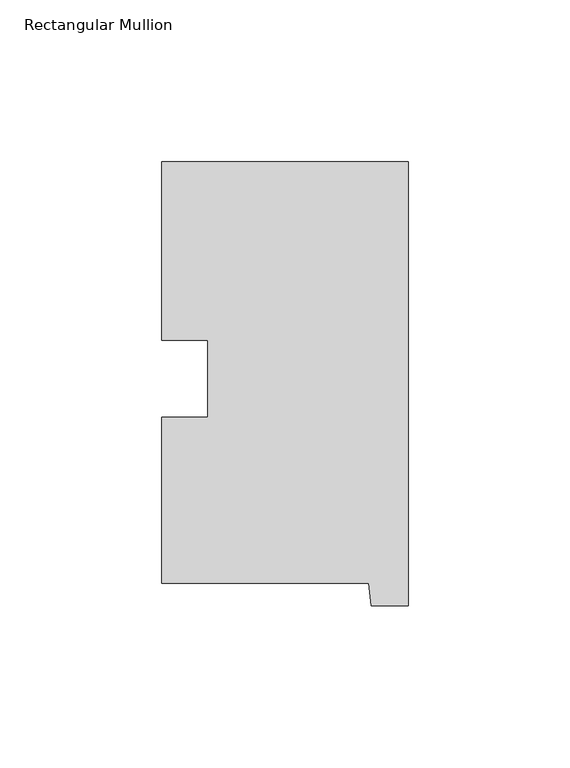
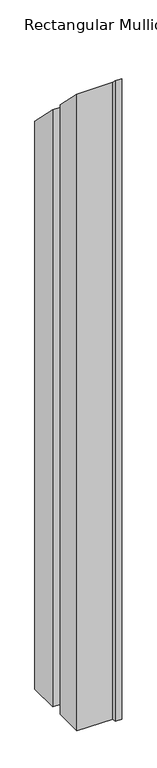
"""IFC4 building model written with IfcOpenShell, lengths in millimetres: member geometry, Rectangular Mullion."""

import ifcopenshell
import ifcopenshell.guid

model = None  # the IFC model being written
_history = None  # IfcOwnerHistory: only IFC2X3 demands one
_inside = {}  # id of a spatial element -> (the spatial element, [elements in it])
_under = {}  # id of a project, library or spatial element -> (it, [spatial elements below it])
_declared = {}  # id of a project -> (the project, [libraries it declares])
_typed = {}  # id of a type object -> (the type object, [elements of that type])
_made_of = {}  # id of a material, layer set ... -> (it, [elements and type objects made of it])


def new_model(schema):
    """Start an empty IFC model of exactly this schema.

    Asked for "IFC4X3", IfcOpenShell would pick the latest addendum, in which some entities
    have other attributes; the version numbers below select the first issue.
    IFC2X3 requires an IfcOwnerHistory on every rooted entity: one is made here for all.
    """
    global model, _history
    if schema == "IFC4X3":
        model = ifcopenshell.file(schema_version=(4, 3, 0, 0))
    else:
        model = ifcopenshell.file(schema=schema)
    _inside.clear()
    _under.clear()
    _declared.clear()
    _typed.clear()
    _made_of.clear()
    _history = None
    if model.schema == "IFC2X3":
        org = make("IfcOrganization", Name="unknown")
        user = make(
            "IfcPersonAndOrganization",
            ThePerson=make("IfcPerson", FamilyName="unknown"),
            TheOrganization=org,
        )
        app = make(
            "IfcApplication",
            ApplicationDeveloper=org,
            Version="unknown",
            ApplicationFullName="unknown",
            ApplicationIdentifier="unknown",
        )
        _history = make(
            "IfcOwnerHistory",
            OwningUser=user,
            OwningApplication=app,
            ChangeAction="ADDED",
            CreationDate=0,
        )
    return model


def make(cls, **values):
    """One entity of the class cls with the attributes given. An attribute that is None is left unset."""
    return model.create_entity(
        cls, **{name: value for name, value in values.items() if value is not None}
    )


def rooted(cls, **values):
    """An entity with a GlobalId (a new one), such as an element, a storey or a relation."""
    return make(cls, GlobalId=ifcopenshell.guid.new(), OwnerHistory=_history, **values)


def si_unit(unit_type, name, prefix=None):
    """IfcSIUnit, for example si_unit("LENGTHUNIT", "METRE", prefix="MILLI")."""
    return make("IfcSIUnit", UnitType=unit_type, Prefix=prefix, Name=name)


def assignment(units):
    """IfcUnitAssignment: the units of a project."""
    return None if units is None else make("IfcUnitAssignment", Units=units)


def point(xyz):
    """IfcCartesianPoint."""
    return None if xyz is None else make("IfcCartesianPoint", Coordinates=xyz)


def direction(xyz):
    """IfcDirection."""
    return None if xyz is None else make("IfcDirection", DirectionRatios=xyz)


def frame(location, z_axis=None, x_axis=None):
    """IfcAxis2Placement3D, a coordinate frame: its origin and axes. An axis left out is left unset."""
    return make(
        "IfcAxis2Placement3D",
        Location=point(location),
        Axis=direction(z_axis),
        RefDirection=direction(x_axis),
    )


def origin():
    """The frame at (0, 0, 0) with its axes left unset."""
    return frame((0.0, 0.0, 0.0))


def place(relative_to, where):
    """IfcLocalPlacement: puts the frame where relative to a parent placement (None: the world)."""
    return make(
        "IfcLocalPlacement", PlacementRelTo=relative_to, RelativePlacement=where
    )


def context(
    kind, dimensions, precision=None, world=None, true_north=None, identifier=None
):
    """IfcGeometricRepresentationContext, for example the 3D "Model" context."""
    return make(
        "IfcGeometricRepresentationContext",
        ContextIdentifier=identifier,
        ContextType=kind,
        CoordinateSpaceDimension=dimensions,
        Precision=precision,
        WorldCoordinateSystem=world,
        TrueNorth=true_north,
    )


def project(units=None, contexts=None):
    """IfcProject with its units and contexts."""
    return rooted(
        "IfcProject",
        Name="project",
        RepresentationContexts=contexts,
        UnitsInContext=assignment(units),
    )


def spatial(cls, under=None, at=None, **own):
    """A site, building, storey or space (cls), placed at a placement, below another one or the project."""
    s = rooted(cls, ObjectPlacement=at, **own)
    if under is not None:
        _under.setdefault(under.id(), (under, []))[1].append(s)
    return s


def faces_of(points, faces, orient=None, outer=None):
    """IfcFace entities. A face is a list of loops; a loop is a list of indices into points, from 0.

    orient and outer hold one flag for each loop. By default every Orientation is true, the
    first loop of a face is its IfcFaceOuterBound and the others are IfcFaceBound.
    """
    made = []
    for i, loops in enumerate(faces):
        bounds = []
        for j, loop in enumerate(loops):
            is_outer = j == 0 if outer is None else outer[i][j]
            bounds.append(
                make(
                    "IfcFaceOuterBound" if is_outer else "IfcFaceBound",
                    Bound=make("IfcPolyLoop", Polygon=[points[k] for k in loop]),
                    Orientation=True if orient is None else orient[i][j],
                )
            )
        made.append(make("IfcFace", Bounds=bounds))
    return made


def faceted_brep(points, faces, orient=None, outer=None, voids=None):
    """IfcFacetedBrep: a solid bounded by flat faces; with voids (closed shells), ...WithVoids."""
    shared = [point(p) for p in points]
    hull = make("IfcClosedShell", CfsFaces=faces_of(shared, faces, orient, outer))
    if voids is None:
        return make("IfcFacetedBrep", Outer=hull)
    return make(
        "IfcFacetedBrepWithVoids",
        Outer=hull,
        Voids=[
            make(cls, CfsFaces=faces_of(shared, fs, o, b)) for cls, fs, o, b in voids
        ],
    )


def shape(context_of_items, identifier, shape_type, items):
    """IfcShapeRepresentation: the items that make up one representation, for example the "Body"."""
    return make(
        "IfcShapeRepresentation",
        ContextOfItems=context_of_items,
        RepresentationIdentifier=identifier,
        RepresentationType=shape_type,
        Items=items,
    )


def source(mapping_origin, context_of_items, identifier, shape_type, items):
    """IfcRepresentationMap: a shape defined once, which mapped items show again and again."""
    return make(
        "IfcRepresentationMap",
        MappingOrigin=mapping_origin,
        MappedRepresentation=shape(context_of_items, identifier, shape_type, items),
    )


def transform(
    local_origin,
    x_axis=None,
    y_axis=None,
    z_axis=None,
    scale=None,
    scale2=None,
    scale3=None,
    uniform=True,
):
    """IfcCartesianTransformationOperator3D, or its non-uniform kind. x_axis, y_axis, z_axis: its Axis1, 2, 3."""
    if uniform:
        return make(
            "IfcCartesianTransformationOperator3D",
            Axis1=direction(x_axis),
            Axis2=direction(y_axis),
            LocalOrigin=point(local_origin),
            Scale=scale,
            Axis3=direction(z_axis),
        )
    return make(
        "IfcCartesianTransformationOperator3DnonUniform",
        Axis1=direction(x_axis),
        Axis2=direction(y_axis),
        LocalOrigin=point(local_origin),
        Scale=scale,
        Axis3=direction(z_axis),
        Scale2=scale2,
        Scale3=scale3,
    )


def mapped(mapping_source, mapping_target):
    """IfcMappedItem: shows the shape of a source again, moved by a transform."""
    return make(
        "IfcMappedItem", MappingSource=mapping_source, MappingTarget=mapping_target
    )


def made_of(thing, what):
    """Note that an element or type object is made of a material, layer set ...; save() writes the relation."""
    if what is not None:
        _made_of.setdefault(what.id(), (what, []))[1].append(thing)
    return thing


def element(
    cls,
    number,
    at=None,
    inside=None,
    cuts=None,
    type_object=None,
    material=None,
    context=None,
    identifier="Body",
    shape_type=None,
    held_by="IfcProductDefinitionShape",
    body=None,
    shapes=None,
    **own,
):
    """One element of the class cls, such as IfcWall. Its Tag is "e" and its number.

    at: its placement. inside: the storey or other place that contains it. cuts: it is an
    opening in that element (IfcRelVoidsElement). A single representation is given by context,
    identifier, shape_type and body (its items); several are given by shapes. held_by: the class
    of the entity that holds the representations. save() writes the other relations.
    """
    e = rooted(cls, Tag="e%d" % number, ObjectPlacement=at, **own)
    if body is not None:
        shapes = [shape(context, identifier, shape_type, body)]
    if shapes is not None:
        e.Representation = make(held_by, Representations=shapes)
    if inside is not None:
        _inside.setdefault(inside.id(), (inside, []))[1].append(e)
    if cuts is not None:
        rooted(
            "IfcRelVoidsElement", RelatingBuildingElement=cuts, RelatedOpeningElement=e
        )
    if type_object is not None:
        _typed.setdefault(type_object.id(), (type_object, []))[1].append(e)
    return made_of(e, material)


def aggregate(whole, parts):
    """IfcRelAggregates: a whole, such as a stair, and the parts it consists of."""
    return rooted("IfcRelAggregates", RelatingObject=whole, RelatedObjects=parts)


def save(model, path):
    """Write the relations noted so far, then the file.

    IfcRelAggregates (storeys below a building ...), IfcRelContainedInSpatialStructure (elements
    in a storey), IfcRelDefinesByType, IfcRelAssociatesMaterial and IfcRelDeclares: one each for
    every whole, place, type object, material and project.
    """
    for whole, parts in _under.values():
        aggregate(whole, parts)
    for where, things in _inside.values():
        rooted(
            "IfcRelContainedInSpatialStructure",
            RelatedElements=things,
            RelatingStructure=where,
        )
    for kind, things in _typed.values():
        rooted("IfcRelDefinesByType", RelatedObjects=things, RelatingType=kind)
    for what, things in _made_of.values():
        rooted("IfcRelAssociatesMaterial", RelatedObjects=things, RelatingMaterial=what)
    for by, libraries in _declared.values():
        rooted("IfcRelDeclares", RelatingContext=by, RelatedDefinitions=libraries)
    model.write(path)


def rectangular_mullion_ca1fbf82(model_context):
    return source(origin(), model_context, "Body", "Brep", [
        faceted_brep([(-76.2, 130.56235, -1206.50635), (0.0, 130.56235, -1206.50635), (0.0, -6.64845, -1206.50635), (-11.4023812, -6.64845, -1206.50635), (-12.1549448, 0.26035, -1206.50635), (-76.2, 0.26035, -1206.50635), (-76.2, 51.60645, -1206.50635), (-61.960125, 51.60645, -1206.50635), (-61.960125, 75.40625, -1206.50635), (-76.2, 75.40625, -1206.50635), (-76.2, 75.40625, -75.40625), (-76.2, 130.56235, -130.56235), (-61.960125, 75.40625, -75.40625), (-61.960125, 51.60645, -51.60645), (-76.2, 51.60645, -51.60645), (-76.2, 0.26035, -0.26035), (-12.1549448, 0.26035, -0.26035), (-11.4023812, -6.64845, 6.64845), (0.0, -6.64845, 6.64845), (0.0, 130.56235, -130.56235)], [[[0, 1, 2, 3, 4, 5, 6, 7, 8, 9]], [[10, 11, 0, 9]], [[12, 10, 9, 8]], [[13, 12, 8, 7]], [[14, 13, 7, 6]], [[15, 14, 6, 5]], [[16, 15, 5, 4]], [[17, 16, 4, 3]], [[18, 17, 3, 2]], [[19, 18, 2, 1]], [[11, 19, 1, 0]], [[11, 10, 12, 13, 14, 15, 16, 17, 18, 19]]]),
    ])


if __name__ == "__main__":
    model = new_model("IFC4")
    model_context = context("Model", 3, world=origin())
    ifc_project = project(units=[si_unit("LENGTHUNIT", "METRE", prefix="MILLI")], contexts=[model_context])
    site = spatial("IfcSite", under=ifc_project)
    building = spatial("IfcBuilding", under=site)
    placement = place(None, origin())
    rectangular_mullion_shape = rectangular_mullion_ca1fbf82(model_context)
    element("IfcMember", 1, ObjectType="Rectangular Mullion", at=placement, inside=building, context=model_context, shape_type="MappedRepresentation", body=[
        mapped(rectangular_mullion_shape, transform((0.0, 0.0, 0.0), x_axis=(1.0, 0.0, 0.0), y_axis=(0.0, 1.0, 0.0), z_axis=(0.0, 0.0, 1.0))),
    ])
    save(model, "model.ifc")
